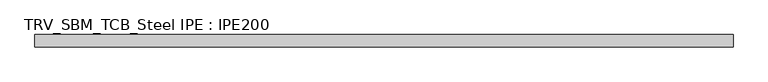
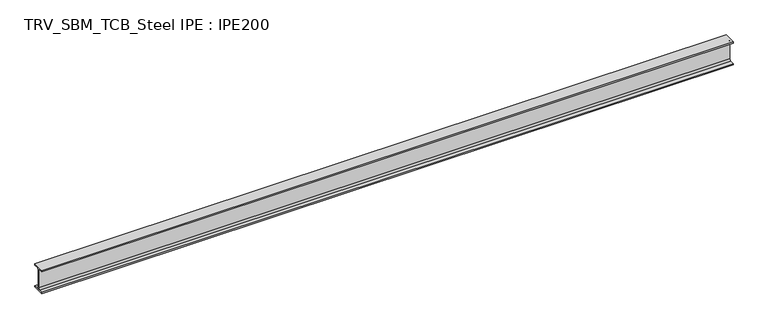
"""IFC4 building model written with IfcOpenShell, lengths in millimetres: beam geometry, TRV_SBM_TCB_Steel IPE : IPE200."""

from ifc_helpers import new_model, si_unit, point, frame, frame_2d, origin, place, context, project, spatial, polyline, circle_curve, trimmed, segment, composite_curve, outline, extrude, source, transform, mapped, element, save


def trv_sbm_tcb_steel_ipe_ipe200_9d72f18c(model_context):
    return source(origin(), model_context, "Body", "SweptSolid", [
        extrude(outline(composite_curve([segment(polyline([(-50.0, -89.3), (-18.55, -89.3)]), True, "CONTINUOUS"), segment(trimmed(circle_curve(frame_2d((-18.55, -74.3)), 15.0), [point((-18.55, -89.3))], [point((-3.55, -74.3))], True, "CARTESIAN"), True, "CONTINUOUS"), segment(polyline([(-3.55, -74.3), (-3.55, 74.3)]), True, "CONTINUOUS"), segment(trimmed(circle_curve(frame_2d((-18.55, 74.3)), 15.0), [point((-3.55, 74.3))], [point((-18.55, 89.3))], True, "CARTESIAN"), True, "CONTINUOUS"), segment(polyline([(-18.55, 89.3), (-50.0, 89.3), (-50.0, 100.0), (50.0, 100.0), (50.0, 89.3), (18.55, 89.3)]), True, "CONTINUOUS"), segment(trimmed(circle_curve(frame_2d((18.55, 74.3)), 15.0), [point((18.55, 89.3))], [point((3.55, 74.3))], True, "CARTESIAN"), True, "CONTINUOUS"), segment(polyline([(3.55, 74.3), (3.55, -74.3)]), True, "CONTINUOUS"), segment(trimmed(circle_curve(frame_2d((18.55, -74.3)), 15.0), [point((3.55, -74.3))], [point((18.55, -89.3))], True, "CARTESIAN"), True, "CONTINUOUS"), segment(polyline([(18.55, -89.3), (50.0, -89.3), (50.0, -100.0), (-50.0, -100.0), (-50.0, -89.3)]), True, "CONTINUOUS")], self_intersect=False)), frame((-2817.0, 0.0, 0.0), z_axis=(1.0, 0.0, 0.0), x_axis=(0.0, 1.0, 0.0)), (0.0, 0.0, 1.0), 5694.0),
    ])


if __name__ == "__main__":
    model = new_model("IFC4")
    model_context = context("Model", 3, world=origin())
    ifc_project = project(units=[si_unit("LENGTHUNIT", "METRE", prefix="MILLI")], contexts=[model_context])
    site = spatial("IfcSite", under=ifc_project)
    building = spatial("IfcBuilding", under=site)
    placement = place(None, origin())
    trv_sbm_tcb_steel_ipe_ipe200_shape = trv_sbm_tcb_steel_ipe_ipe200_9d72f18c(model_context)
    element("IfcBeam", 1, ObjectType="TRV_SBM_TCB_Steel IPE : IPE200", at=placement, inside=building, context=model_context, shape_type="MappedRepresentation", body=[
        mapped(trv_sbm_tcb_steel_ipe_ipe200_shape, transform((0.0, 0.0, 0.0), x_axis=(1.0, 0.0, 0.0), y_axis=(0.0, 1.0, 0.0), z_axis=(0.0, 0.0, 1.0))),
    ])
    save(model, "model.ifc")
